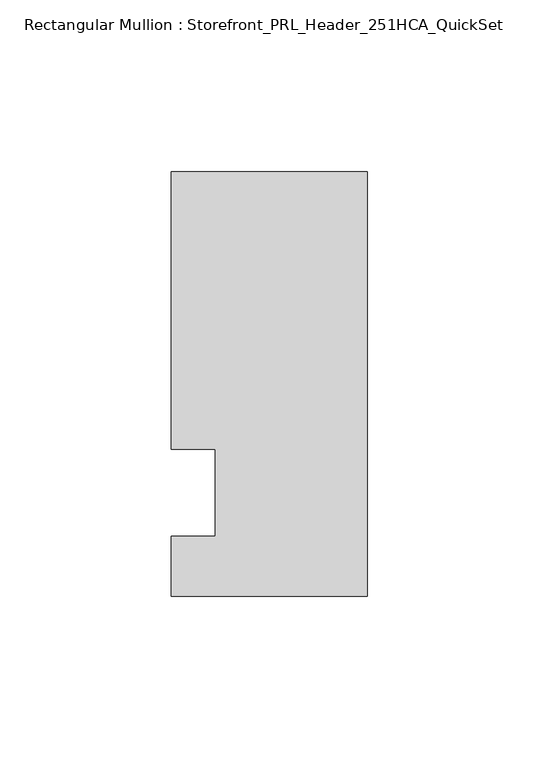
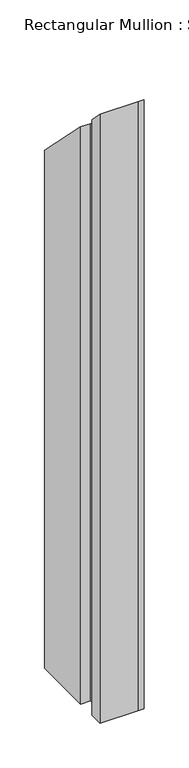
"""IFC4 building model written with IfcOpenShell, lengths in millimetres: member geometry, Rectangular Mullion : Storefront_PRL_Header_251HCA_QuickSet."""

from ifc_helpers import new_model, si_unit, origin, place, context, project, spatial, faceted_brep, source, transform, mapped, element, save


def rectangular_mullion_storefront_prl_header_251hca_quickset_caa17121(model_context):
    return source(origin(), model_context, "Body", "Brep", [
        faceted_brep([(-44.45, 12.7, -800.1), (-57.15, 12.7, -800.1), (-57.15, 93.6625, -800.1), (-6.35, 93.6625, -800.1), (0.0, 93.6625, -800.1), (0.0, -30.1625, -800.1), (-7.7254924, -30.1625, -800.1), (-57.15, -30.1625, -800.1), (-57.15, -12.7, -800.1), (-44.45, -12.7, -800.1), (-44.45, -12.7, 12.7), (-44.45, 12.7, -12.7), (-57.15, -12.7, 12.7), (-57.15, -30.1625, 30.1625), (-7.7254924, -30.1625, 30.1625), (0.0, -30.1625, 30.1625), (0.0, 93.6625, -93.6625), (-6.35, 93.6625, -93.6625), (-57.15, 93.6625, -93.6625), (-57.15, 12.7, -12.7)], [[[0, 1, 2, 3, 4, 5, 6, 7, 8, 9]], [[10, 11, 0, 9]], [[12, 10, 9, 8]], [[13, 12, 8, 7]], [[14, 13, 7, 6]], [[15, 14, 6, 5]], [[16, 15, 5, 4]], [[17, 16, 4, 3]], [[18, 17, 3, 2]], [[19, 18, 2, 1]], [[11, 19, 1, 0]], [[11, 10, 12, 13, 14, 15, 16, 17, 18, 19]]]),
    ])


if __name__ == "__main__":
    model = new_model("IFC4")
    model_context = context("Model", 3, world=origin())
    ifc_project = project(units=[si_unit("LENGTHUNIT", "METRE", prefix="MILLI")], contexts=[model_context])
    site = spatial("IfcSite", under=ifc_project)
    building = spatial("IfcBuilding", under=site)
    placement = place(None, origin())
    rectangular_mullion_storefront_prl_header_251hca_quickset_shape = rectangular_mullion_storefront_prl_header_251hca_quickset_caa17121(model_context)
    element("IfcMember", 1, ObjectType="Rectangular Mullion : Storefront_PRL_Header_251HCA_QuickSet", at=placement, inside=building, context=model_context, shape_type="MappedRepresentation", body=[
        mapped(rectangular_mullion_storefront_prl_header_251hca_quickset_shape, transform((0.0, 0.0, 0.0), x_axis=(1.0, 0.0, 0.0), y_axis=(0.0, 1.0, 0.0), z_axis=(0.0, 0.0, 1.0))),
    ])
    save(model, "model.ifc")
